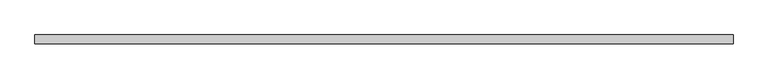
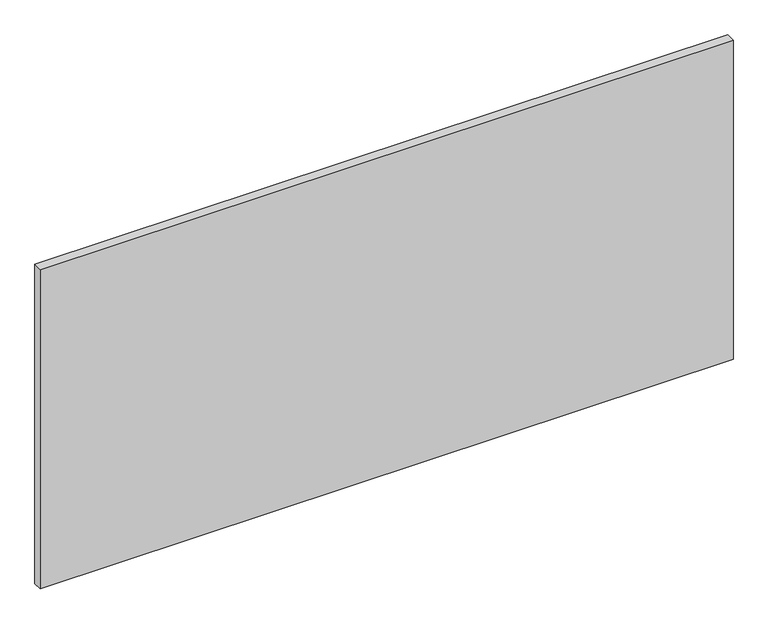
"""IFC4 building model written with IfcOpenShell, lengths in millimetres: plate geometry."""

from ifc_helpers import new_model, si_unit, origin, origin_with_axes, place, context, project, spatial, polyline, outline, extrude, source, transform, mapped, element, save


def plate_102f5e39(model_context):
    return source(origin(), model_context, "Body", "SweptSolid", [
        extrude(outline(polyline([(975.0, 24.5), (-975.0, 24.5), (-975.0, 49.5), (975.0, 49.5), (975.0, 24.5)])), origin_with_axes(), (0.0, 0.0, 1.0), 950.0),
    ])


if __name__ == "__main__":
    model = new_model("IFC4")
    model_context = context("Model", 3, world=origin())
    ifc_project = project(units=[si_unit("LENGTHUNIT", "METRE", prefix="MILLI")], contexts=[model_context])
    site = spatial("IfcSite", under=ifc_project)
    building = spatial("IfcBuilding", under=site)
    placement = place(None, origin())
    plate_shape = plate_102f5e39(model_context)
    element("IfcPlate", 1, at=placement, inside=building, context=model_context, shape_type="MappedRepresentation", body=[
        mapped(plate_shape, transform((0.0, 0.0, 0.0), x_axis=(1.0, 0.0, 0.0), y_axis=(0.0, 1.0, 0.0), z_axis=(0.0, 0.0, 1.0))),
    ])
    save(model, "model.ifc")
